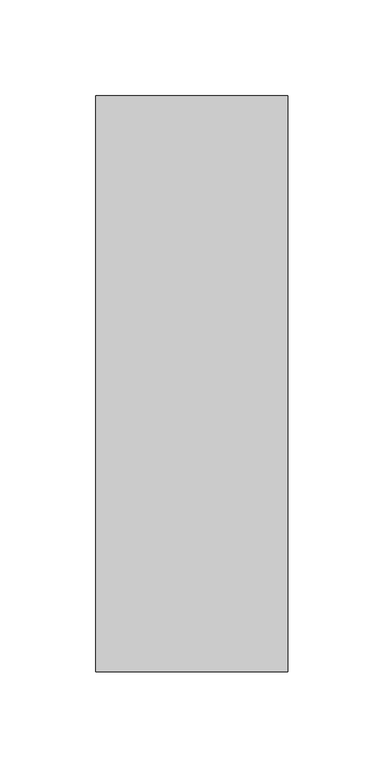
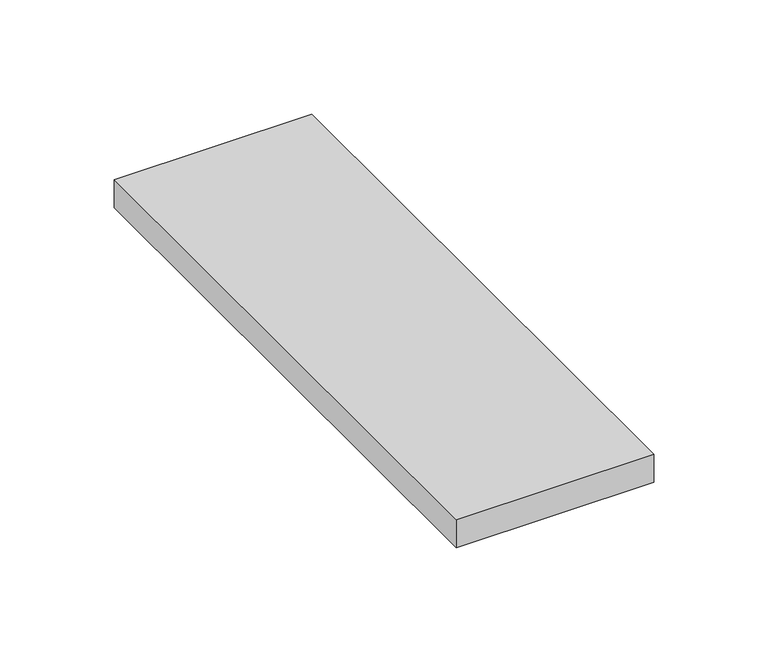
"""IFC4 building model written with IfcOpenShell, lengths in millimetres: fastener geometry."""

from ifc_helpers import new_model, si_unit, origin, origin_with_axes, place, context, project, spatial, polyline, outline, extrude, source, transform, mapped, element, save


def fastener_6c07dc53(model_context):
    return source(origin(), model_context, "Body", "SweptSolid", [
        extrude(outline(polyline([(50.0, 150.0), (50.0, -150.0), (-50.0, -150.0), (-50.0, 150.0), (50.0, 150.0)])), origin_with_axes(), (0.0, 0.0, 1.0), 15.0),
    ])


if __name__ == "__main__":
    model = new_model("IFC4")
    model_context = context("Model", 3, world=origin())
    ifc_project = project(units=[si_unit("LENGTHUNIT", "METRE", prefix="MILLI")], contexts=[model_context])
    site = spatial("IfcSite", under=ifc_project)
    building = spatial("IfcBuilding", under=site)
    placement = place(None, origin())
    fastener_shape = fastener_6c07dc53(model_context)
    element("IfcFastener", 1, at=placement, inside=building, context=model_context, shape_type="MappedRepresentation", body=[
        mapped(fastener_shape, transform((0.0, 0.0, 0.0), x_axis=(1.0, 0.0, 0.0), y_axis=(0.0, 1.0, 0.0), z_axis=(0.0, 0.0, 1.0))),
    ])
    save(model, "model.ifc")
